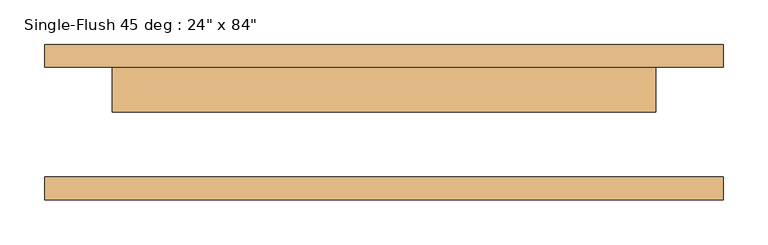
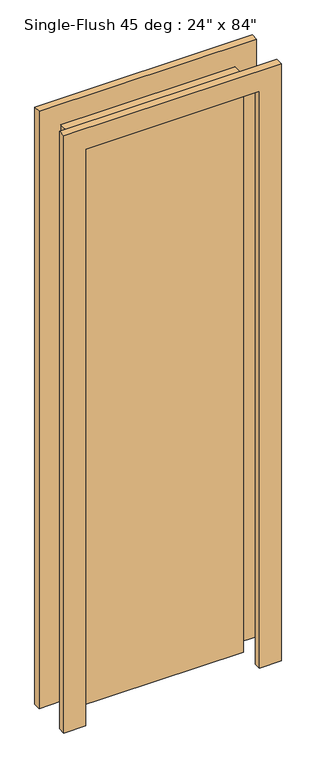
"""IFC4 building model written with IfcOpenShell, lengths in millimetres: door geometry."""

from ifc_helpers import new_model, si_unit, frame, origin, origin_with_axes, place, context, project, spatial, polyline, outline, extrude, source, transform, mapped, element, save


def door_768ff5e8(model_context):
    return source(origin(), model_context, "Body", "SweptSolid", [
        extrude(outline(polyline([(2209.8, -381.0), (0.0, -381.0), (0.0, -304.8), (2133.6, -304.8), (2133.6, 304.8), (0.0, 304.8), (0.0, 381.0), (2209.8, 381.0), (2209.8, -381.0)])), frame((0.0, 61.9125, 0.0), z_axis=(0.0, 1.0, 0.0), x_axis=(0.0, 0.0, 1.0)), (0.0, 0.0, 1.0), 25.4),
        extrude(outline(polyline([(2209.8, 381.0), (2209.8, -381.0), (0.0, -381.0), (0.0, -304.8), (2133.6, -304.8), (2133.6, 304.8), (0.0, 304.8), (0.0, 381.0), (2209.8, 381.0)])), frame((0.0, -87.3125, 0.0), z_axis=(0.0, 1.0, 0.0), x_axis=(0.0, 0.0, 1.0)), (0.0, 0.0, 1.0), 25.4),
        extrude(outline(polyline([(304.8, 11.1125), (-304.8, 11.1125), (-304.8, 61.9125), (304.8, 61.9125), (304.8, 11.1125)])), origin_with_axes(), (0.0, 0.0, 1.0), 2133.6),
    ])


if __name__ == "__main__":
    model = new_model("IFC4")
    model_context = context("Model", 3, world=origin())
    ifc_project = project(units=[si_unit("LENGTHUNIT", "METRE", prefix="MILLI")], contexts=[model_context])
    site = spatial("IfcSite", under=ifc_project)
    building = spatial("IfcBuilding", under=site)
    placement = place(None, origin())
    door_shape = door_768ff5e8(model_context)
    element("IfcDoor", 1, ObjectType="Single-Flush 45 deg : 24\" x 84\"", at=placement, inside=building, context=model_context, shape_type="MappedRepresentation", body=[
        mapped(door_shape, transform((0.0, 0.0, 0.0), x_axis=(1.0, 0.0, 0.0), y_axis=(0.0, 1.0, 0.0), z_axis=(0.0, 0.0, 1.0))),
    ])
    save(model, "model.ifc")
